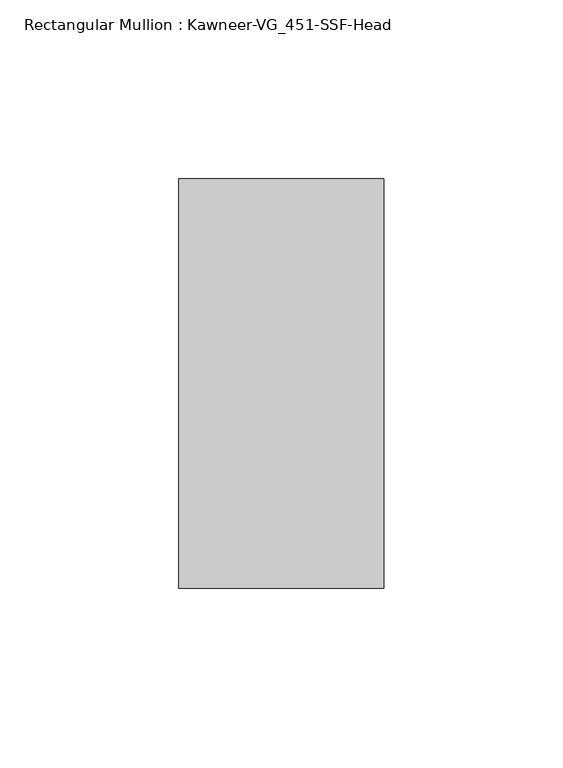
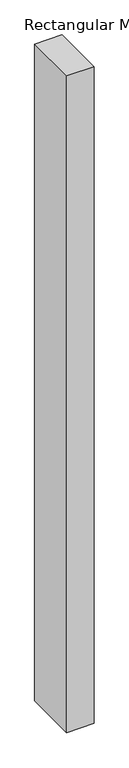
"""IFC4 building model written with IfcOpenShell, lengths in millimetres: member geometry, Rectangular Mullion : Kawneer-VG_451-SSF-Head."""

import ifcopenshell
import ifcopenshell.guid

model = None  # the IFC model being written
_history = None  # IfcOwnerHistory: only IFC2X3 demands one
_inside = {}  # id of a spatial element -> (the spatial element, [elements in it])
_under = {}  # id of a project, library or spatial element -> (it, [spatial elements below it])
_declared = {}  # id of a project -> (the project, [libraries it declares])
_typed = {}  # id of a type object -> (the type object, [elements of that type])
_made_of = {}  # id of a material, layer set ... -> (it, [elements and type objects made of it])


def new_model(schema):
    """Start an empty IFC model of exactly this schema.

    Asked for "IFC4X3", IfcOpenShell would pick the latest addendum, in which some entities
    have other attributes; the version numbers below select the first issue.
    IFC2X3 requires an IfcOwnerHistory on every rooted entity: one is made here for all.
    """
    global model, _history
    if schema == "IFC4X3":
        model = ifcopenshell.file(schema_version=(4, 3, 0, 0))
    else:
        model = ifcopenshell.file(schema=schema)
    _inside.clear()
    _under.clear()
    _declared.clear()
    _typed.clear()
    _made_of.clear()
    _history = None
    if model.schema == "IFC2X3":
        org = make("IfcOrganization", Name="unknown")
        user = make(
            "IfcPersonAndOrganization",
            ThePerson=make("IfcPerson", FamilyName="unknown"),
            TheOrganization=org,
        )
        app = make(
            "IfcApplication",
            ApplicationDeveloper=org,
            Version="unknown",
            ApplicationFullName="unknown",
            ApplicationIdentifier="unknown",
        )
        _history = make(
            "IfcOwnerHistory",
            OwningUser=user,
            OwningApplication=app,
            ChangeAction="ADDED",
            CreationDate=0,
        )
    return model


def make(cls, **values):
    """One entity of the class cls with the attributes given. An attribute that is None is left unset."""
    return model.create_entity(
        cls, **{name: value for name, value in values.items() if value is not None}
    )


def rooted(cls, **values):
    """An entity with a GlobalId (a new one), such as an element, a storey or a relation."""
    return make(cls, GlobalId=ifcopenshell.guid.new(), OwnerHistory=_history, **values)


def si_unit(unit_type, name, prefix=None):
    """IfcSIUnit, for example si_unit("LENGTHUNIT", "METRE", prefix="MILLI")."""
    return make("IfcSIUnit", UnitType=unit_type, Prefix=prefix, Name=name)


def assignment(units):
    """IfcUnitAssignment: the units of a project."""
    return None if units is None else make("IfcUnitAssignment", Units=units)


def point(xyz):
    """IfcCartesianPoint."""
    return None if xyz is None else make("IfcCartesianPoint", Coordinates=xyz)


def direction(xyz):
    """IfcDirection."""
    return None if xyz is None else make("IfcDirection", DirectionRatios=xyz)


def frame(location, z_axis=None, x_axis=None):
    """IfcAxis2Placement3D, a coordinate frame: its origin and axes. An axis left out is left unset."""
    return make(
        "IfcAxis2Placement3D",
        Location=point(location),
        Axis=direction(z_axis),
        RefDirection=direction(x_axis),
    )


def origin():
    """The frame at (0, 0, 0) with its axes left unset."""
    return frame((0.0, 0.0, 0.0))


def place(relative_to, where):
    """IfcLocalPlacement: puts the frame where relative to a parent placement (None: the world)."""
    return make(
        "IfcLocalPlacement", PlacementRelTo=relative_to, RelativePlacement=where
    )


def context(
    kind, dimensions, precision=None, world=None, true_north=None, identifier=None
):
    """IfcGeometricRepresentationContext, for example the 3D "Model" context."""
    return make(
        "IfcGeometricRepresentationContext",
        ContextIdentifier=identifier,
        ContextType=kind,
        CoordinateSpaceDimension=dimensions,
        Precision=precision,
        WorldCoordinateSystem=world,
        TrueNorth=true_north,
    )


def project(units=None, contexts=None):
    """IfcProject with its units and contexts."""
    return rooted(
        "IfcProject",
        Name="project",
        RepresentationContexts=contexts,
        UnitsInContext=assignment(units),
    )


def spatial(cls, under=None, at=None, **own):
    """A site, building, storey or space (cls), placed at a placement, below another one or the project."""
    s = rooted(cls, ObjectPlacement=at, **own)
    if under is not None:
        _under.setdefault(under.id(), (under, []))[1].append(s)
    return s


def polyline(points):
    """IfcPolyline through the points."""
    return make("IfcPolyline", Points=[point(p) for p in points])


def outline(outer, holes=None, kind="AREA"):
    """IfcArbitraryClosedProfileDef: a profile drawn as a closed curve; with holes, ...WithVoids."""
    if holes is None:
        return make("IfcArbitraryClosedProfileDef", ProfileType=kind, OuterCurve=outer)
    return make(
        "IfcArbitraryProfileDefWithVoids",
        ProfileType=kind,
        OuterCurve=outer,
        InnerCurves=holes,
    )


def extrude(swept, where, along, depth):
    """IfcExtrudedAreaSolid: the profile swept, set in the frame where, extruded along a direction by depth."""
    return make(
        "IfcExtrudedAreaSolid",
        SweptArea=swept,
        Position=where,
        ExtrudedDirection=direction(along),
        Depth=depth,
    )


def shape(context_of_items, identifier, shape_type, items):
    """IfcShapeRepresentation: the items that make up one representation, for example the "Body"."""
    return make(
        "IfcShapeRepresentation",
        ContextOfItems=context_of_items,
        RepresentationIdentifier=identifier,
        RepresentationType=shape_type,
        Items=items,
    )


def source(mapping_origin, context_of_items, identifier, shape_type, items):
    """IfcRepresentationMap: a shape defined once, which mapped items show again and again."""
    return make(
        "IfcRepresentationMap",
        MappingOrigin=mapping_origin,
        MappedRepresentation=shape(context_of_items, identifier, shape_type, items),
    )


def transform(
    local_origin,
    x_axis=None,
    y_axis=None,
    z_axis=None,
    scale=None,
    scale2=None,
    scale3=None,
    uniform=True,
):
    """IfcCartesianTransformationOperator3D, or its non-uniform kind. x_axis, y_axis, z_axis: its Axis1, 2, 3."""
    if uniform:
        return make(
            "IfcCartesianTransformationOperator3D",
            Axis1=direction(x_axis),
            Axis2=direction(y_axis),
            LocalOrigin=point(local_origin),
            Scale=scale,
            Axis3=direction(z_axis),
        )
    return make(
        "IfcCartesianTransformationOperator3DnonUniform",
        Axis1=direction(x_axis),
        Axis2=direction(y_axis),
        LocalOrigin=point(local_origin),
        Scale=scale,
        Axis3=direction(z_axis),
        Scale2=scale2,
        Scale3=scale3,
    )


def mapped(mapping_source, mapping_target):
    """IfcMappedItem: shows the shape of a source again, moved by a transform."""
    return make(
        "IfcMappedItem", MappingSource=mapping_source, MappingTarget=mapping_target
    )


def made_of(thing, what):
    """Note that an element or type object is made of a material, layer set ...; save() writes the relation."""
    if what is not None:
        _made_of.setdefault(what.id(), (what, []))[1].append(thing)
    return thing


def element(
    cls,
    number,
    at=None,
    inside=None,
    cuts=None,
    type_object=None,
    material=None,
    context=None,
    identifier="Body",
    shape_type=None,
    held_by="IfcProductDefinitionShape",
    body=None,
    shapes=None,
    **own,
):
    """One element of the class cls, such as IfcWall. Its Tag is "e" and its number.

    at: its placement. inside: the storey or other place that contains it. cuts: it is an
    opening in that element (IfcRelVoidsElement). A single representation is given by context,
    identifier, shape_type and body (its items); several are given by shapes. held_by: the class
    of the entity that holds the representations. save() writes the other relations.
    """
    e = rooted(cls, Tag="e%d" % number, ObjectPlacement=at, **own)
    if body is not None:
        shapes = [shape(context, identifier, shape_type, body)]
    if shapes is not None:
        e.Representation = make(held_by, Representations=shapes)
    if inside is not None:
        _inside.setdefault(inside.id(), (inside, []))[1].append(e)
    if cuts is not None:
        rooted(
            "IfcRelVoidsElement", RelatingBuildingElement=cuts, RelatedOpeningElement=e
        )
    if type_object is not None:
        _typed.setdefault(type_object.id(), (type_object, []))[1].append(e)
    return made_of(e, material)


def aggregate(whole, parts):
    """IfcRelAggregates: a whole, such as a stair, and the parts it consists of."""
    return rooted("IfcRelAggregates", RelatingObject=whole, RelatedObjects=parts)


def save(model, path):
    """Write the relations noted so far, then the file.

    IfcRelAggregates (storeys below a building ...), IfcRelContainedInSpatialStructure (elements
    in a storey), IfcRelDefinesByType, IfcRelAssociatesMaterial and IfcRelDeclares: one each for
    every whole, place, type object, material and project.
    """
    for whole, parts in _under.values():
        aggregate(whole, parts)
    for where, things in _inside.values():
        rooted(
            "IfcRelContainedInSpatialStructure",
            RelatedElements=things,
            RelatingStructure=where,
        )
    for kind, things in _typed.values():
        rooted("IfcRelDefinesByType", RelatedObjects=things, RelatingType=kind)
    for what, things in _made_of.values():
        rooted("IfcRelAssociatesMaterial", RelatedObjects=things, RelatingMaterial=what)
    for by, libraries in _declared.values():
        rooted("IfcRelDeclares", RelatingContext=by, RelatedDefinitions=libraries)
    model.write(path)


def rectangular_mullion_kawneer_vg_451_ssf_head_3aa4c174(model_context):
    return source(origin(), model_context, "Body", "SweptSolid", [
        extrude(outline(polyline([(-57.15, -57.15), (-57.15, 57.15), (0.0, 57.15), (0.0, -57.15), (-57.15, -57.15)])), frame((0.0, 0.0, -1439.8625), z_axis=(0.0, 0.0, 1.0), x_axis=(1.0, 0.0, 0.0)), (0.0, 0.0, 1.0), 1439.8625),
    ])


if __name__ == "__main__":
    model = new_model("IFC4")
    model_context = context("Model", 3, world=origin())
    ifc_project = project(units=[si_unit("LENGTHUNIT", "METRE", prefix="MILLI")], contexts=[model_context])
    site = spatial("IfcSite", under=ifc_project)
    building = spatial("IfcBuilding", under=site)
    placement = place(None, origin())
    rectangular_mullion_kawneer_vg_451_ssf_head_shape = rectangular_mullion_kawneer_vg_451_ssf_head_3aa4c174(model_context)
    element("IfcMember", 1, ObjectType="Rectangular Mullion : Kawneer-VG_451-SSF-Head", at=placement, inside=building, context=model_context, shape_type="MappedRepresentation", body=[
        mapped(rectangular_mullion_kawneer_vg_451_ssf_head_shape, transform((0.0, 0.0, 0.0), x_axis=(1.0, 0.0, 0.0), y_axis=(0.0, 1.0, 0.0), z_axis=(0.0, 0.0, 1.0))),
    ])
    save(model, "model.ifc")
